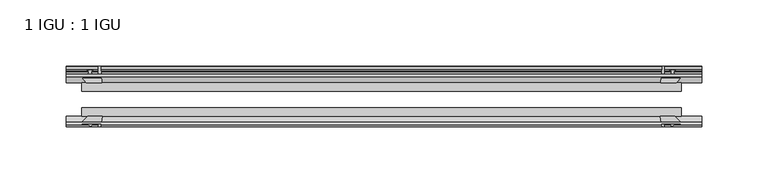
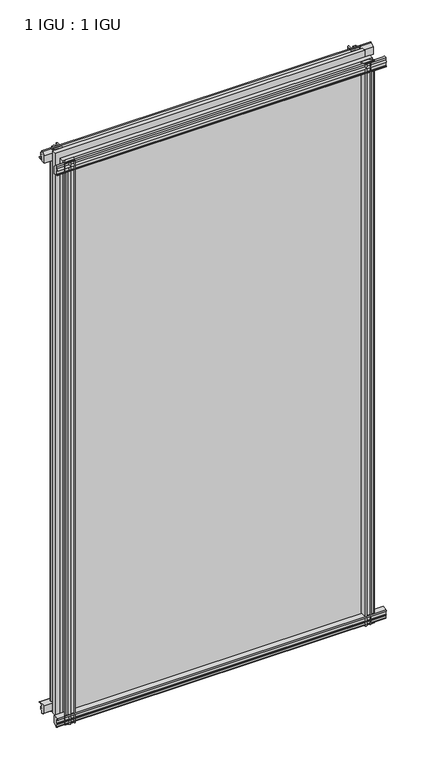
"""IFC4 building model written with IfcOpenShell, lengths in millimetres: plate geometry, 1 IGU : 1 IGU."""

from ifc_helpers import new_model, si_unit, point, frame, frame_2d, origin, place, context, project, spatial, polyline, circle_curve, trimmed, segment, composite_curve, outline, extrude, source, transform, mapped, element, save


def plate_1_igu_1_igu_4be85d98(model_context):
    return source(origin(), model_context, "Body", "SweptSolid", [
        extrude(outline(composite_curve([segment(polyline([(-57.0900403, 1.731044), (-50.00625, 3.0983599), (-50.00625, -7.92383), (-54.1882244, -12.1058044)]), True, "CONTINUOUS"), segment(trimmed(circle_curve(frame_2d((-55.08625, -11.2077788)), 1.27), [point((-54.1882244, -12.1058044))], [point((-56.35625, -11.2077788))], False, "CARTESIAN"), True, "CONTINUOUS"), segment(polyline([(-56.35625, -11.2077788), (-56.35625, -8.0327788), (-57.835546, -5.4488186), (-56.35625, -5.1879788), (-56.35625, 0.2222212), (-57.65913, 0.0383748)]), True, "CONTINUOUS"), segment(trimmed(circle_curve(frame_2d((-56.9150839, 0.7302212)), 1.016), [point((-57.65913, 0.0383748))], [point((-57.0900403, 1.731044))], False, "CARTESIAN"), True, "CONTINUOUS")], self_intersect=False)), frame((-238.8330249, 0.0, 0.0), z_axis=(1.0, 0.0, 0.0), x_axis=(0.0, 1.0, 0.0)), (0.0, 0.0, 1.0), 481.7046499),
        extrude(outline(composite_curve([segment(polyline([(-24.60625, 2.5763839), (-12.8423053, 1.6478499)]), True, "CONTINUOUS"), segment(trimmed(circle_curve(frame_2d((-12.92225, 0.635)), 1.016), [point((-12.8423053, 1.6478499))], [point((-12.1291353, 0.0))], False, "CARTESIAN"), True, "CONTINUOUS"), segment(polyline([(-12.1291353, 0.0), (-18.25625, 0.0), (-18.25625, -4.953), (-15.9568457, -5.5691235), (-16.3325195, -4.1670901), (-15.4738114, -3.937), (-14.82725, -6.35), (-15.4738114, -8.763), (-16.3325195, -8.5329099), (-15.9568457, -7.1308765), (-18.25625, -7.747), (-18.25625, -12.7), (-20.28825, -12.7), (-24.60625, -9.1036931), (-24.60625, 2.5763839)]), True, "CONTINUOUS")], self_intersect=False)), frame((-238.8330249, 0.0, 0.0), z_axis=(1.0, 0.0, 0.0), x_axis=(0.0, 1.0, 0.0)), (0.0, 0.0, 1.0), 481.7046499),
        extrude(outline(composite_curve([segment(polyline([(-20.28825, 857.1484), (-18.25625, 857.1484), (-18.25625, 852.1954), (-15.9568457, 851.5792765), (-16.3325195, 852.9813099), (-15.4738114, 853.2114), (-14.82725, 850.7984), (-15.4738114, 848.3854), (-16.3325195, 848.6154901), (-15.9568457, 850.0175235), (-18.25625, 849.4014), (-18.25625, 844.4484), (-12.1291353, 844.4484)]), True, "CONTINUOUS"), segment(trimmed(circle_curve(frame_2d((-12.92225, 843.8134)), 1.016), [point((-12.1291353, 844.4484))], [point((-12.8423053, 842.8005501))], False, "CARTESIAN"), True, "CONTINUOUS"), segment(polyline([(-12.8423053, 842.8005501), (-24.60625, 841.8720161), (-24.60625, 853.5520931), (-20.28825, 857.1484)]), True, "CONTINUOUS")], self_intersect=False)), frame((-238.8330249, 0.0, 0.0), z_axis=(1.0, 0.0, 0.0), x_axis=(0.0, 1.0, 0.0)), (0.0, 0.0, 1.0), 481.7046499),
        extrude(outline(composite_curve([segment(trimmed(circle_curve(frame_2d((-56.9150839, 843.7181788)), 1.016), [point((-57.0900403, 842.717356))], [point((-57.65913, 844.4100252))], False, "CARTESIAN"), True, "CONTINUOUS"), segment(polyline([(-57.65913, 844.4100252), (-56.35625, 844.2261788), (-56.35625, 849.6363788), (-57.835546, 849.8972186), (-56.35625, 852.4811788), (-56.35625, 855.6561788)]), True, "CONTINUOUS"), segment(trimmed(circle_curve(frame_2d((-55.08625, 855.6561788)), 1.27), [point((-56.35625, 855.6561788))], [point((-54.1882244, 856.5542044))], False, "CARTESIAN"), True, "CONTINUOUS"), segment(polyline([(-54.1882244, 856.5542044), (-50.00625, 852.37223), (-50.00625, 841.3500401), (-57.0900403, 842.717356)]), True, "CONTINUOUS")], self_intersect=False)), frame((-238.8330249, 0.0, 0.0), z_axis=(1.0, 0.0, 0.0), x_axis=(0.0, 1.0, 0.0)), (0.0, 0.0, 1.0), 481.7046499),
        extrude(outline(composite_curve([segment(polyline([(211.720241, -24.60625), (212.6487751, -12.8423053)]), True, "CONTINUOUS"), segment(trimmed(circle_curve(frame_2d((213.6616249, -12.92225)), 1.016), [point((212.6487751, -12.8423053))], [point((214.2966249, -12.1291353))], False, "CARTESIAN"), True, "CONTINUOUS"), segment(polyline([(214.2966249, -12.1291353), (214.2966249, -18.25625), (219.2496249, -18.25625), (219.8657485, -15.9568457), (218.4637151, -16.3325195), (218.2336249, -15.4738114), (220.6466249, -14.82725), (223.0596249, -15.4738114), (222.8295348, -16.3325195), (221.4275014, -15.9568457), (222.0436249, -18.25625), (226.9966249, -18.25625), (226.9966249, -20.28825), (223.400318, -24.60625), (211.720241, -24.60625)]), True, "CONTINUOUS")], self_intersect=False)), frame((0.0, 0.0, -12.7), z_axis=(0.0, 0.0, 1.0), x_axis=(1.0, 0.0, 0.0)), (0.0, 0.0, 1.0), 869.8484),
        extrude(outline(composite_curve([segment(polyline([(219.4846037, -56.35625), (214.0744037, -56.35625), (214.2582501, -57.65913)]), True, "CONTINUOUS"), segment(trimmed(circle_curve(frame_2d((213.5664037, -56.9150839)), 1.016), [point((214.2582501, -57.65913))], [point((212.5655809, -57.0900403))], False, "CARTESIAN"), True, "CONTINUOUS"), segment(polyline([(212.5655809, -57.0900403), (211.198265, -50.00625), (222.220455, -50.00625), (226.4024293, -54.1882244)]), True, "CONTINUOUS"), segment(trimmed(circle_curve(frame_2d((225.5044037, -55.08625)), 1.27), [point((226.4024293, -54.1882244))], [point((225.5044037, -56.35625))], False, "CARTESIAN"), True, "CONTINUOUS"), segment(polyline([(225.5044037, -56.35625), (222.3294037, -56.35625), (219.7454435, -57.835546), (219.4846037, -56.35625)]), True, "CONTINUOUS")], self_intersect=False)), frame((0.0, 0.0, -12.7), z_axis=(0.0, 0.0, 1.0), x_axis=(1.0, 0.0, 0.0)), (0.0, 0.0, 1.0), 869.8484),
        extrude(outline(composite_curve([segment(polyline([(-211.720241, -24.60625), (-223.400318, -24.60625), (-226.9966249, -20.28825), (-226.9966249, -18.25625), (-222.0436249, -18.25625), (-221.4275014, -15.9568457), (-222.8295348, -16.3325195), (-223.0596249, -15.4738114), (-220.6466249, -14.82725), (-218.2336249, -15.4738114), (-218.4637151, -16.3325195), (-219.8657485, -15.9568457), (-219.2496249, -18.25625), (-214.2966249, -18.25625), (-214.2966249, -12.1291353)]), True, "CONTINUOUS"), segment(trimmed(circle_curve(frame_2d((-213.6616249, -12.92225)), 1.016), [point((-214.2966249, -12.1291353))], [point((-212.6487751, -12.8423053))], False, "CARTESIAN"), True, "CONTINUOUS"), segment(polyline([(-212.6487751, -12.8423053), (-211.720241, -24.60625)]), True, "CONTINUOUS")], self_intersect=False)), frame((0.0, 0.0, -12.7), z_axis=(0.0, 0.0, 1.0), x_axis=(1.0, 0.0, 0.0)), (0.0, 0.0, 1.0), 869.8484),
        extrude(outline(composite_curve([segment(polyline([(-211.198265, -50.00625), (-212.5655809, -57.0900403)]), True, "CONTINUOUS"), segment(trimmed(circle_curve(frame_2d((-213.5664037, -56.9150839)), 1.016), [point((-212.5655809, -57.0900403))], [point((-214.2582501, -57.65913))], False, "CARTESIAN"), True, "CONTINUOUS"), segment(polyline([(-214.2582501, -57.65913), (-214.0744037, -56.35625), (-219.4846037, -56.35625), (-219.7454435, -57.835546), (-222.3294037, -56.35625), (-225.5044037, -56.35625)]), True, "CONTINUOUS"), segment(trimmed(circle_curve(frame_2d((-225.5044037, -55.08625)), 1.27), [point((-225.5044037, -56.35625))], [point((-226.4024293, -54.1882244))], False, "CARTESIAN"), True, "CONTINUOUS"), segment(polyline([(-226.4024293, -54.1882244), (-222.220455, -50.00625), (-211.198265, -50.00625)]), True, "CONTINUOUS")], self_intersect=False)), frame((0.0, 0.0, -12.7), z_axis=(0.0, 0.0, 1.0), x_axis=(1.0, 0.0, 0.0)), (0.0, 0.0, 1.0), 869.8484),
        extrude(outline(polyline([(-226.9966249, -24.60625), (226.9966249, -24.60625), (226.9966249, -30.95625), (-226.9966249, -30.95625), (-226.9966249, -24.60625)])), frame((0.0, 0.0, -12.7), z_axis=(0.0, 0.0, 1.0), x_axis=(1.0, 0.0, 0.0)), (0.0, 0.0, 1.0), 869.8484),
        extrude(outline(polyline([(226.9966249, -43.65625), (226.9966249, -50.00625), (-226.9966249, -50.00625), (-226.9966249, -43.65625), (226.9966249, -43.65625)])), frame((0.0, 0.0, -12.7), z_axis=(0.0, 0.0, 1.0), x_axis=(1.0, 0.0, 0.0)), (0.0, 0.0, 1.0), 869.8484),
    ])


if __name__ == "__main__":
    model = new_model("IFC4")
    model_context = context("Model", 3, world=origin())
    ifc_project = project(units=[si_unit("LENGTHUNIT", "METRE", prefix="MILLI")], contexts=[model_context])
    site = spatial("IfcSite", under=ifc_project)
    building = spatial("IfcBuilding", under=site)
    placement = place(None, origin())
    plate_1_igu_1_igu_shape = plate_1_igu_1_igu_4be85d98(model_context)
    element("IfcPlate", 1, ObjectType="1 IGU : 1 IGU", at=placement, inside=building, context=model_context, shape_type="MappedRepresentation", body=[
        mapped(plate_1_igu_1_igu_shape, transform((0.0, 0.0, 0.0), x_axis=(1.0, 0.0, 0.0), y_axis=(0.0, 1.0, 0.0), z_axis=(0.0, 0.0, 1.0))),
    ])
    save(model, "model.ifc")
